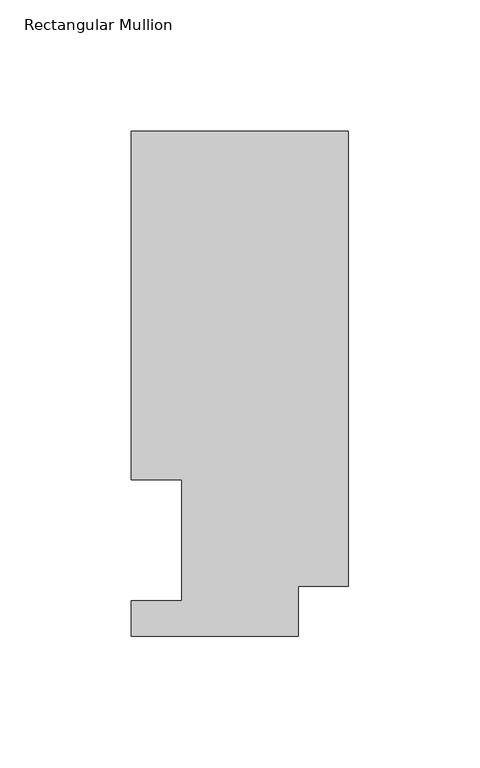
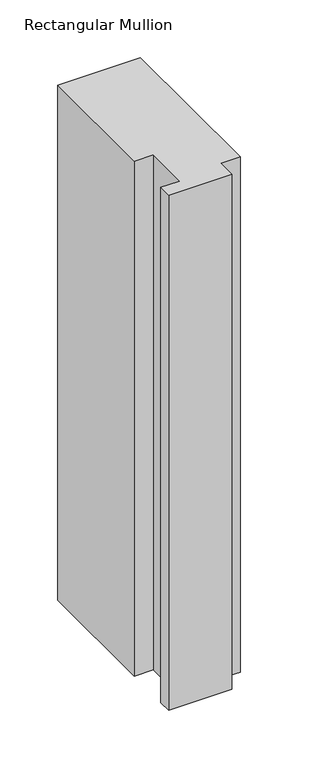
"""IFC4 building model written with IfcOpenShell, lengths in millimetres: member geometry, Rectangular Mullion."""

from ifc_helpers import new_model, si_unit, frame, origin, place, context, project, spatial, polyline, outline, extrude, source, transform, mapped, element, save


def rectangular_mullion_2f110793(model_context):
    return source(origin(), model_context, "Body", "SweptSolid", [
        extrude(outline(polyline([(-82.55, 192.09385), (0.0, 192.09385), (0.0, 19.06905), (-19.05, 19.06905), (-19.05, 0.04445), (-82.55, 0.04445), (-82.55, 13.50645), (-63.5, 13.50645), (-63.5, 59.53125), (-82.55, 59.53125), (-82.55, 192.09385)])), frame((0.0, 0.0, -545.0416667), z_axis=(0.0, 0.0, 1.0), x_axis=(1.0, 0.0, 0.0)), (0.0, 0.0, 1.0), 545.0416667),
    ])


if __name__ == "__main__":
    model = new_model("IFC4")
    model_context = context("Model", 3, world=origin())
    ifc_project = project(units=[si_unit("LENGTHUNIT", "METRE", prefix="MILLI")], contexts=[model_context])
    site = spatial("IfcSite", under=ifc_project)
    building = spatial("IfcBuilding", under=site)
    placement = place(None, origin())
    rectangular_mullion_shape = rectangular_mullion_2f110793(model_context)
    element("IfcMember", 1, ObjectType="Rectangular Mullion", at=placement, inside=building, context=model_context, shape_type="MappedRepresentation", body=[
        mapped(rectangular_mullion_shape, transform((0.0, 0.0, 0.0), x_axis=(1.0, 0.0, 0.0), y_axis=(0.0, 1.0, 0.0), z_axis=(0.0, 0.0, 1.0))),
    ])
    save(model, "model.ifc")
